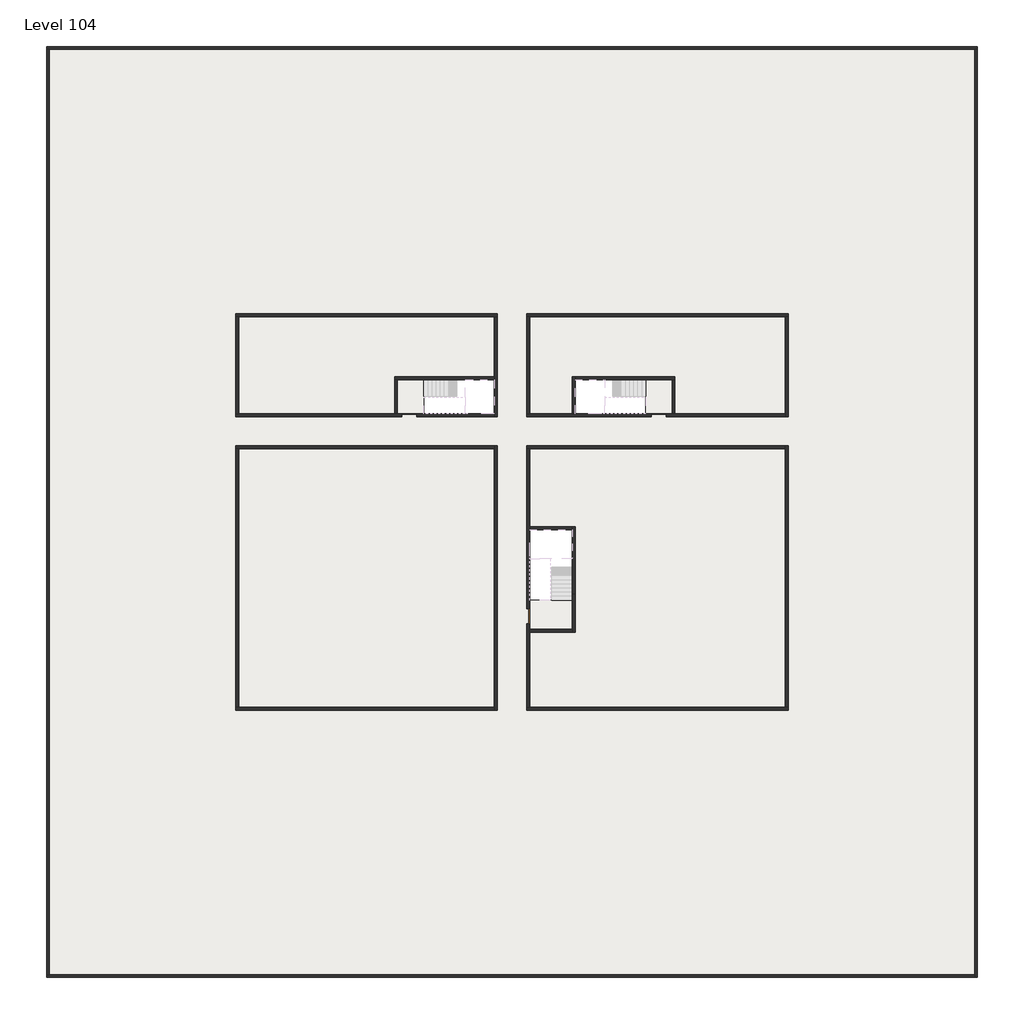
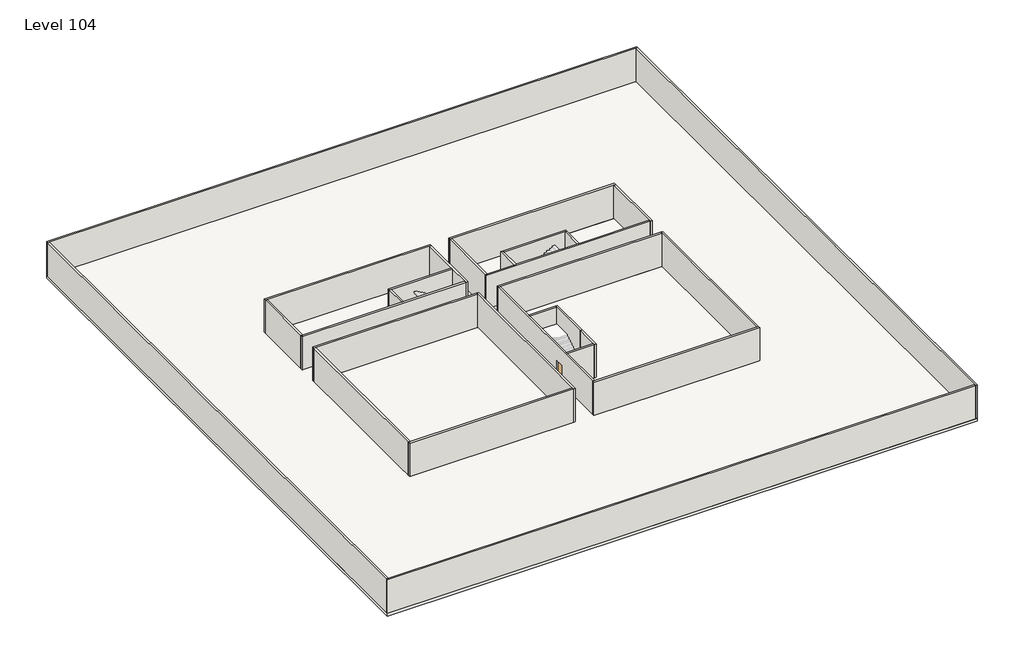
# One storey, part 1 of 2: 29 walls, 3 doors, 3 slabs.
"""IFC4 building model written with IfcOpenShell, lengths in millimetres."""

import ifcopenshell
import ifcopenshell.guid

model = None  # the IFC model being written
_history = None  # IfcOwnerHistory: only IFC2X3 demands one
_inside = {}  # id of a spatial element -> (the spatial element, [elements in it])
_under = {}  # id of a project, library or spatial element -> (it, [spatial elements below it])
_declared = {}  # id of a project -> (the project, [libraries it declares])
_typed = {}  # id of a type object -> (the type object, [elements of that type])
_made_of = {}  # id of a material, layer set ... -> (it, [elements and type objects made of it])


def new_model(schema):
    """Start an empty IFC model of exactly this schema.

    Asked for "IFC4X3", IfcOpenShell would pick the latest addendum, in which some entities
    have other attributes; the version numbers below select the first issue.
    IFC2X3 requires an IfcOwnerHistory on every rooted entity: one is made here for all.
    """
    global model, _history
    if schema == "IFC4X3":
        model = ifcopenshell.file(schema_version=(4, 3, 0, 0))
    else:
        model = ifcopenshell.file(schema=schema)
    _inside.clear()
    _under.clear()
    _declared.clear()
    _typed.clear()
    _made_of.clear()
    _history = None
    if model.schema == "IFC2X3":
        org = make("IfcOrganization", Name="unknown")
        user = make(
            "IfcPersonAndOrganization",
            ThePerson=make("IfcPerson", FamilyName="unknown"),
            TheOrganization=org,
        )
        app = make(
            "IfcApplication",
            ApplicationDeveloper=org,
            Version="unknown",
            ApplicationFullName="unknown",
            ApplicationIdentifier="unknown",
        )
        _history = make(
            "IfcOwnerHistory",
            OwningUser=user,
            OwningApplication=app,
            ChangeAction="ADDED",
            CreationDate=0,
        )
    return model


def make(cls, **values):
    """One entity of the class cls with the attributes given. An attribute that is None is left unset."""
    return model.create_entity(
        cls, **{name: value for name, value in values.items() if value is not None}
    )


def rooted(cls, **values):
    """An entity with a GlobalId (a new one), such as an element, a storey or a relation."""
    return make(cls, GlobalId=ifcopenshell.guid.new(), OwnerHistory=_history, **values)


def si_unit(unit_type, name, prefix=None):
    """IfcSIUnit, for example si_unit("LENGTHUNIT", "METRE", prefix="MILLI")."""
    return make("IfcSIUnit", UnitType=unit_type, Prefix=prefix, Name=name)


def assignment(units):
    """IfcUnitAssignment: the units of a project."""
    return None if units is None else make("IfcUnitAssignment", Units=units)


def point(xyz):
    """IfcCartesianPoint."""
    return None if xyz is None else make("IfcCartesianPoint", Coordinates=xyz)


def direction(xyz):
    """IfcDirection."""
    return None if xyz is None else make("IfcDirection", DirectionRatios=xyz)


def frame(location, z_axis=None, x_axis=None):
    """IfcAxis2Placement3D, a coordinate frame: its origin and axes. An axis left out is left unset."""
    return make(
        "IfcAxis2Placement3D",
        Location=point(location),
        Axis=direction(z_axis),
        RefDirection=direction(x_axis),
    )


def origin():
    """The frame at (0, 0, 0) with its axes left unset."""
    return frame((0.0, 0.0, 0.0))


def origin_with_axes():
    """The frame at (0, 0, 0) with the z axis (0, 0, 1) and the x axis (1, 0, 0) written out."""
    return frame((0.0, 0.0, 0.0), z_axis=(0.0, 0.0, 1.0), x_axis=(1.0, 0.0, 0.0))


def place(relative_to, where):
    """IfcLocalPlacement: puts the frame where relative to a parent placement (None: the world)."""
    return make(
        "IfcLocalPlacement", PlacementRelTo=relative_to, RelativePlacement=where
    )


def context(
    kind, dimensions, precision=None, world=None, true_north=None, identifier=None
):
    """IfcGeometricRepresentationContext, for example the 3D "Model" context."""
    return make(
        "IfcGeometricRepresentationContext",
        ContextIdentifier=identifier,
        ContextType=kind,
        CoordinateSpaceDimension=dimensions,
        Precision=precision,
        WorldCoordinateSystem=world,
        TrueNorth=true_north,
    )


def project(units=None, contexts=None):
    """IfcProject with its units and contexts."""
    return rooted(
        "IfcProject",
        Name="project",
        RepresentationContexts=contexts,
        UnitsInContext=assignment(units),
    )


def spatial(cls, under=None, at=None, **own):
    """A site, building, storey or space (cls), placed at a placement, below another one or the project."""
    s = rooted(cls, ObjectPlacement=at, **own)
    if under is not None:
        _under.setdefault(under.id(), (under, []))[1].append(s)
    return s


def polyline(points):
    """IfcPolyline through the points."""
    return make("IfcPolyline", Points=[point(p) for p in points])


def outline(outer, holes=None, kind="AREA"):
    """IfcArbitraryClosedProfileDef: a profile drawn as a closed curve; with holes, ...WithVoids."""
    if holes is None:
        return make("IfcArbitraryClosedProfileDef", ProfileType=kind, OuterCurve=outer)
    return make(
        "IfcArbitraryProfileDefWithVoids",
        ProfileType=kind,
        OuterCurve=outer,
        InnerCurves=holes,
    )


def extrude(swept, where, along, depth):
    """IfcExtrudedAreaSolid: the profile swept, set in the frame where, extruded along a direction by depth."""
    return make(
        "IfcExtrudedAreaSolid",
        SweptArea=swept,
        Position=where,
        ExtrudedDirection=direction(along),
        Depth=depth,
    )


def faces_of(points, faces, orient=None, outer=None):
    """IfcFace entities. A face is a list of loops; a loop is a list of indices into points, from 0.

    orient and outer hold one flag for each loop. By default every Orientation is true, the
    first loop of a face is its IfcFaceOuterBound and the others are IfcFaceBound.
    """
    made = []
    for i, loops in enumerate(faces):
        bounds = []
        for j, loop in enumerate(loops):
            is_outer = j == 0 if outer is None else outer[i][j]
            bounds.append(
                make(
                    "IfcFaceOuterBound" if is_outer else "IfcFaceBound",
                    Bound=make("IfcPolyLoop", Polygon=[points[k] for k in loop]),
                    Orientation=True if orient is None else orient[i][j],
                )
            )
        made.append(make("IfcFace", Bounds=bounds))
    return made


def faceted_brep(points, faces, orient=None, outer=None, voids=None):
    """IfcFacetedBrep: a solid bounded by flat faces; with voids (closed shells), ...WithVoids."""
    shared = [point(p) for p in points]
    hull = make("IfcClosedShell", CfsFaces=faces_of(shared, faces, orient, outer))
    if voids is None:
        return make("IfcFacetedBrep", Outer=hull)
    return make(
        "IfcFacetedBrepWithVoids",
        Outer=hull,
        Voids=[
            make(cls, CfsFaces=faces_of(shared, fs, o, b)) for cls, fs, o, b in voids
        ],
    )


def shape(context_of_items, identifier, shape_type, items):
    """IfcShapeRepresentation: the items that make up one representation, for example the "Body"."""
    return make(
        "IfcShapeRepresentation",
        ContextOfItems=context_of_items,
        RepresentationIdentifier=identifier,
        RepresentationType=shape_type,
        Items=items,
    )


def source(mapping_origin, context_of_items, identifier, shape_type, items):
    """IfcRepresentationMap: a shape defined once, which mapped items show again and again."""
    return make(
        "IfcRepresentationMap",
        MappingOrigin=mapping_origin,
        MappedRepresentation=shape(context_of_items, identifier, shape_type, items),
    )


def transform(
    local_origin,
    x_axis=None,
    y_axis=None,
    z_axis=None,
    scale=None,
    scale2=None,
    scale3=None,
    uniform=True,
):
    """IfcCartesianTransformationOperator3D, or its non-uniform kind. x_axis, y_axis, z_axis: its Axis1, 2, 3."""
    if uniform:
        return make(
            "IfcCartesianTransformationOperator3D",
            Axis1=direction(x_axis),
            Axis2=direction(y_axis),
            LocalOrigin=point(local_origin),
            Scale=scale,
            Axis3=direction(z_axis),
        )
    return make(
        "IfcCartesianTransformationOperator3DnonUniform",
        Axis1=direction(x_axis),
        Axis2=direction(y_axis),
        LocalOrigin=point(local_origin),
        Scale=scale,
        Axis3=direction(z_axis),
        Scale2=scale2,
        Scale3=scale3,
    )


def mapped(mapping_source, mapping_target):
    """IfcMappedItem: shows the shape of a source again, moved by a transform."""
    return make(
        "IfcMappedItem", MappingSource=mapping_source, MappingTarget=mapping_target
    )


def made_of(thing, what):
    """Note that an element or type object is made of a material, layer set ...; save() writes the relation."""
    if what is not None:
        _made_of.setdefault(what.id(), (what, []))[1].append(thing)
    return thing


def element(
    cls,
    number,
    at=None,
    inside=None,
    cuts=None,
    type_object=None,
    material=None,
    context=None,
    identifier="Body",
    shape_type=None,
    held_by="IfcProductDefinitionShape",
    body=None,
    shapes=None,
    **own,
):
    """One element of the class cls, such as IfcWall. Its Tag is "e" and its number.

    at: its placement. inside: the storey or other place that contains it. cuts: it is an
    opening in that element (IfcRelVoidsElement). A single representation is given by context,
    identifier, shape_type and body (its items); several are given by shapes. held_by: the class
    of the entity that holds the representations. save() writes the other relations.
    """
    e = rooted(cls, Tag="e%d" % number, ObjectPlacement=at, **own)
    if body is not None:
        shapes = [shape(context, identifier, shape_type, body)]
    if shapes is not None:
        e.Representation = make(held_by, Representations=shapes)
    if inside is not None:
        _inside.setdefault(inside.id(), (inside, []))[1].append(e)
    if cuts is not None:
        rooted(
            "IfcRelVoidsElement", RelatingBuildingElement=cuts, RelatedOpeningElement=e
        )
    if type_object is not None:
        _typed.setdefault(type_object.id(), (type_object, []))[1].append(e)
    return made_of(e, material)


def aggregate(whole, parts):
    """IfcRelAggregates: a whole, such as a stair, and the parts it consists of."""
    return rooted("IfcRelAggregates", RelatingObject=whole, RelatedObjects=parts)


def save(model, path):
    """Write the relations noted so far, then the file.

    IfcRelAggregates (storeys below a building ...), IfcRelContainedInSpatialStructure (elements
    in a storey), IfcRelDefinesByType, IfcRelAssociatesMaterial and IfcRelDeclares: one each for
    every whole, place, type object, material and project.
    """
    for whole, parts in _under.values():
        aggregate(whole, parts)
    for where, things in _inside.values():
        rooted(
            "IfcRelContainedInSpatialStructure",
            RelatedElements=things,
            RelatingStructure=where,
        )
    for kind, things in _typed.values():
        rooted("IfcRelDefinesByType", RelatedObjects=things, RelatingType=kind)
    for what, things in _made_of.values():
        rooted("IfcRelAssociatesMaterial", RelatedObjects=things, RelatingMaterial=what)
    for by, libraries in _declared.values():
        rooted("IfcRelDeclares", RelatingContext=by, RelatedDefinitions=libraries)
    model.write(path)


def door_fb3c37fd(model_context):
    return source(origin(), model_context, "Body", "SweptSolid", [
        extrude(outline(polyline([(500.0, 49.0), (-500.0, 49.0), (-500.0, 100.0), (500.0, 100.0), (500.0, 49.0)])), origin_with_axes(), (0.0, 0.0, 1.0), 2100.0),
    ])


def door_0317a72c(model_context):
    return source(origin(), model_context, "Body", "SweptSolid", [
        extrude(outline(polyline([(500.0, -49.0), (500.0, -100.0), (-500.0, -100.0), (-500.0, -49.0), (500.0, -49.0)])), origin_with_axes(), (0.0, 0.0, 1.0), 2100.0),
    ])


model = new_model("IFC4")

# Units and contexts
model_context = context("Model", 3, world=origin())
ifc_project = project(units=[si_unit("LENGTHUNIT", "METRE", prefix="MILLI")], contexts=[model_context])

# Site, building, storey
site = spatial("IfcSite", under=ifc_project)
building = spatial("IfcBuilding", under=site)
storey = spatial("IfcBuildingStorey", under=building, Name="Level 104", Elevation=391400.0)

# Doors
placement = place(None, origin())
door_shape = door_fb3c37fd(model_context)
element("IfcDoor", 1, at=placement, inside=storey, context=model_context, shape_type="MappedRepresentation", body=[
    mapped(door_shape, transform((34190.1058784, -30618.09644, 391400.0), x_axis=(1.0, 0.0, 0.0), y_axis=(0.0, 1.0, 0.0), z_axis=(0.0, 0.0, 1.0))),
])
element("IfcDoor", 2, at=placement, inside=storey, context=model_context, shape_type="MappedRepresentation", body=[
    mapped(door_shape, transform((25290.1058784, -44318.09644, 391400.0), x_axis=(0.0, -1.0, 0.0), y_axis=(1.0, 0.0, 0.0), z_axis=(0.0, 0.0, 1.0))),
])
door_2_shape = door_0317a72c(model_context)
element("IfcDoor", 3, at=placement, inside=storey, context=model_context, shape_type="MappedRepresentation", body=[
    mapped(door_2_shape, transform((17190.1058784, -30618.09644, 391400.0), x_axis=(-1.0, 0.0, 0.0), y_axis=(0.0, -1.0, 0.0), z_axis=(0.0, 0.0, 1.0))),
])

# Slabs
element("IfcSlab", 4, at=placement, inside=storey, context=model_context, shape_type="SweptSolid", body=[
    extrude(outline(polyline([(55890.1058784, -5518.09644), (55890.1058784, -68918.09644), (-7509.8941216, -68918.09644), (-7509.8941216, -5518.09644), (55890.1058784, -5518.09644)]), holes=[polyline([(22990.1058784, -23918.09644), (5590.1058784, -23918.09644), (5590.1058784, -30518.09644), (22990.1058784, -30518.09644), (22990.1058784, -23918.09644)]), polyline([(42990.1058784, -23918.09644), (25390.1058784, -23918.09644), (25390.1058784, -30518.09644), (42990.1058784, -30518.09644), (42990.1058784, -23918.09644)]), polyline([(25390.1058784, -50518.09644), (42790.1058784, -50518.09644), (42790.1058784, -32918.09644), (25390.1058784, -32918.09644), (25390.1058784, -50518.09644)]), polyline([(22990.1058784, -32918.09644), (5590.1058784, -32918.09644), (5590.1058784, -50518.09644), (22990.1058784, -50518.09644), (22990.1058784, -32918.09644)])]), frame((0.0, 0.0, 391100.0), z_axis=(0.0, 0.0, 1.0), x_axis=(1.0, 0.0, 0.0)), (0.0, 0.0, 1.0), 300.0),
])
element("IfcSlab", 5, at=placement, inside=storey, context=model_context, shape_type="SweptSolid", body=[
    extrude(outline(polyline([(22990.1058784, -23918.09644), (22990.1058784, -28018.09644), (16190.1058784, -28018.09644), (16190.1058784, -30518.09644), (5590.1058784, -30518.09644), (5590.1058784, -23918.09644), (22990.1058784, -23918.09644)])), frame((0.0, 0.0, 391100.0), z_axis=(0.0, 0.0, 1.0), x_axis=(1.0, 0.0, 0.0)), (0.0, 0.0, 1.0), 300.0),
    extrude(outline(polyline([(42790.1058784, -23918.09644), (42790.1058784, -30518.09644), (35290.1058784, -30518.09644), (35290.1058784, -28018.09644), (28490.1058784, -28018.09644), (28490.1058784, -30518.09644), (25390.1058784, -30518.09644), (25390.1058784, -23918.09644), (42790.1058784, -23918.09644)])), frame((0.0, 0.0, 391100.0), z_axis=(0.0, 0.0, 1.0), x_axis=(1.0, 0.0, 0.0)), (0.0, 0.0, 1.0), 300.0),
    extrude(outline(polyline([(22990.1058784, -32918.09644), (22990.1058784, -50518.09644), (5590.1058784, -50518.09644), (5590.1058784, -32918.09644), (22990.1058784, -32918.09644)])), frame((0.0, 0.0, 391100.0), z_axis=(0.0, 0.0, 1.0), x_axis=(1.0, 0.0, 0.0)), (0.0, 0.0, 1.0), 300.0),
    extrude(outline(polyline([(25390.1058784, -38218.09644), (25390.1058784, -32918.09644), (42790.1058784, -32918.09644), (42790.1058784, -50518.09644), (25390.1058784, -50518.09644), (25390.1058784, -45418.09644), (28490.1058784, -45418.09644), (28490.1058784, -38218.09644), (25390.1058784, -38218.09644)])), frame((0.0, 0.0, 391100.0), z_axis=(0.0, 0.0, 1.0), x_axis=(1.0, 0.0, 0.0)), (0.0, 0.0, 1.0), 300.0),
])
element("IfcSlab", 6, at=placement, inside=storey, context=model_context, shape_type="SweptSolid", body=[
    extrude(outline(polyline([(35090.1058784, -28218.09644), (35090.1058784, -30518.09644), (33290.1058784, -30518.09644), (33290.1058784, -28218.09644), (35090.1058784, -28218.09644)])), frame((0.0, 0.0, 391100.0), z_axis=(0.0, 0.0, 1.0), x_axis=(1.0, 0.0, 0.0)), (0.0, 0.0, 1.0), 300.0),
    extrude(outline(polyline([(18190.1058784, -28218.09644), (18190.1058784, -30518.09644), (16390.1058784, -30518.09644), (16390.1058784, -28218.09644), (18190.1058784, -28218.09644)])), frame((0.0, 0.0, 391100.0), z_axis=(0.0, 0.0, 1.0), x_axis=(1.0, 0.0, 0.0)), (0.0, 0.0, 1.0), 300.0),
    extrude(outline(polyline([(28290.1058784, -43218.09644), (28290.1058784, -45218.09644), (25390.1058784, -45218.09644), (25390.1058784, -43218.09644), (28290.1058784, -43218.09644)])), frame((0.0, 0.0, 391100.0), z_axis=(0.0, 0.0, 1.0), x_axis=(1.0, 0.0, 0.0)), (0.0, 0.0, 1.0), 300.0),
])

# Walls
element("IfcWall", 7, at=placement, inside=storey, context=model_context, shape_type="Brep", body=[
    faceted_brep([(-7509.8941216, -5718.09644, 391400.0), (-7309.8941216, -5718.09644, 391400.0), (55690.1058784, -5718.09644, 391400.0), (55890.1058784, -5718.09644, 391400.0), (55890.1058784, -5718.09644, 395200.0), (55690.1058784, -5718.09644, 395200.0), (-7309.8941216, -5718.09644, 395200.0), (-7509.8941216, -5718.09644, 395200.0), (-7509.8941216, -5518.09644, 391400.0), (-7509.8941216, -5518.09644, 395200.0), (55890.1058784, -5518.09644, 395200.0), (55890.1058784, -5518.09644, 391400.0)], [[[0, 1, 2, 3, 4, 5, 6, 7]], [[8, 9, 10, 11]], [[3, 2, 1, 0, 8, 11]], [[7, 6, 5, 4, 10, 9]], [[0, 7, 9, 8]], [[4, 3, 11, 10]]]),
])
element("IfcWall", 8, at=placement, inside=storey, context=model_context, shape_type="Brep", body=[
    faceted_brep([(55690.1058784, -5718.09644, 391400.0), (55690.1058784, -68718.09644, 391400.0), (55690.1058784, -68918.09644, 391400.0), (55690.1058784, -68918.09644, 395200.0), (55690.1058784, -68718.09644, 395200.0), (55690.1058784, -5718.09644, 395200.0), (55890.1058784, -5718.09644, 391400.0), (55890.1058784, -5718.09644, 395200.0), (55890.1058784, -68918.09644, 395200.0), (55890.1058784, -68918.09644, 391400.0)], [[[0, 1, 2, 3, 4, 5]], [[6, 7, 8, 9]], [[2, 1, 0, 6, 9]], [[5, 4, 3, 8, 7]], [[3, 2, 9, 8]], [[0, 5, 7, 6]]]),
])
element("IfcWall", 9, at=placement, inside=storey, context=model_context, shape_type="Brep", body=[
    faceted_brep([(55690.1058784, -68718.09644, 391400.0), (-7309.8941216, -68718.09644, 391400.0), (-7509.8941216, -68718.09644, 391400.0), (-7509.8941216, -68718.09644, 395200.0), (-7309.8941216, -68718.09644, 395200.0), (55690.1058784, -68718.09644, 395200.0), (55690.1058784, -68918.09644, 391400.0), (55690.1058784, -68918.09644, 395200.0), (-7509.8941216, -68918.09644, 395200.0), (-7509.8941216, -68918.09644, 391400.0)], [[[0, 1, 2, 3, 4, 5]], [[6, 7, 8, 9]], [[2, 1, 0, 6, 9]], [[5, 4, 3, 8, 7]], [[3, 2, 9, 8]], [[0, 5, 7, 6]]]),
])
element("IfcWall", 10, at=placement, inside=storey, context=model_context, shape_type="SweptSolid", body=[
    extrude(outline(polyline([(-7309.8941216, -5718.09644), (-7309.8941216, -68718.09644), (-7509.8941216, -68718.09644), (-7509.8941216, -5718.09644), (-7309.8941216, -5718.09644)])), frame((0.0, 0.0, 391400.0), z_axis=(0.0, 0.0, 1.0), x_axis=(1.0, 0.0, 0.0)), (0.0, 0.0, 1.0), 3800.0),
])
element("IfcWall", 11, at=placement, inside=storey, context=model_context, shape_type="Brep", body=[
    faceted_brep([(5390.1058784, -23918.09644, 391400.0), (5590.1058784, -23918.09644, 391400.0), (22990.1058784, -23918.09644, 391400.0), (23190.1058784, -23918.09644, 391400.0), (23190.1058784, -23918.09644, 395200.0), (22990.1058784, -23918.09644, 395200.0), (5590.1058784, -23918.09644, 395200.0), (5390.1058784, -23918.09644, 395200.0), (5390.1058784, -23718.09644, 391400.0), (5390.1058784, -23718.09644, 395200.0), (23190.1058784, -23718.09644, 395200.0), (23190.1058784, -23718.09644, 391400.0)], [[[0, 1, 2, 3, 4, 5, 6, 7]], [[8, 9, 10, 11]], [[3, 2, 1, 0, 8, 11]], [[7, 6, 5, 4, 10, 9]], [[4, 3, 11, 10]], [[0, 7, 9, 8]]]),
])
element("IfcWall", 12, at=placement, inside=storey, context=model_context, shape_type="Brep", body=[
    faceted_brep([(22990.1058784, -23918.09644, 391400.0), (22990.1058784, -28018.09644, 391400.0), (22990.1058784, -28218.09644, 391400.0), (22990.1058784, -30518.09644, 391400.0), (22990.1058784, -30718.09644, 391400.0), (22990.1058784, -30718.09644, 395200.0), (22990.1058784, -30518.09644, 395200.0), (22990.1058784, -28218.09644, 395200.0), (22990.1058784, -28018.09644, 395200.0), (22990.1058784, -23918.09644, 395200.0), (23190.1058784, -23918.09644, 391400.0), (23190.1058784, -23918.09644, 395200.0), (23190.1058784, -30718.09644, 395200.0), (23190.1058784, -30718.09644, 391400.0)], [[[0, 1, 2, 3, 4, 5, 6, 7, 8, 9]], [[10, 11, 12, 13]], [[4, 3, 2, 1, 0, 10, 13]], [[9, 8, 7, 6, 5, 12, 11]], [[0, 9, 11, 10]], [[5, 4, 13, 12]]]),
])
element("IfcWall", 13, at=placement, inside=storey, context=model_context, shape_type="Brep", body=[
    faceted_brep([(25190.1058784, -44818.09644, 393500.0), (25190.1058784, -44818.09644, 391400.0), (25190.1058784, -50518.09644, 391400.0), (25190.1058784, -50518.09644, 395200.0), (25190.1058784, -32918.09644, 395200.0), (25190.1058784, -32918.09644, 391400.0), (25190.1058784, -43818.09644, 391400.0), (25190.1058784, -43818.09644, 393500.0), (25390.1058784, -50518.09644, 391400.0), (25390.1058784, -45418.09644, 391400.0), (25390.1058784, -45218.09644, 391400.0), (25390.1058784, -44818.09644, 391400.0), (25390.1058784, -44818.09644, 393500.0), (25390.1058784, -43818.09644, 393500.0), (25390.1058784, -43818.09644, 391400.0), (25390.1058784, -38418.09644, 391400.0), (25390.1058784, -38218.09644, 391400.0), (25390.1058784, -32918.09644, 391400.0), (25390.1058784, -32918.09644, 395200.0), (25390.1058784, -38218.09644, 395200.0), (25390.1058784, -38418.09644, 395200.0), (25390.1058784, -45218.09644, 395200.0), (25390.1058784, -45418.09644, 395200.0), (25390.1058784, -50518.09644, 395200.0)], [[[0, 1, 2, 3, 4, 5, 6, 7]], [[8, 9, 10, 11, 12, 13, 14, 15, 16, 17, 18, 19, 20, 21, 22, 23]], [[6, 5, 17, 16, 15, 14]], [[2, 1, 11, 10, 9, 8]], [[4, 3, 23, 22, 21, 20, 19, 18]], [[12, 11, 1, 0]], [[13, 12, 0, 7]], [[14, 13, 7, 6]], [[5, 4, 18, 17]], [[3, 2, 8, 23]]]),
])
element("IfcWall", 14, at=placement, inside=storey, context=model_context, shape_type="Brep", body=[
    faceted_brep([(22990.1058784, -32718.09644, 391400.0), (22990.1058784, -32918.09644, 391400.0), (22990.1058784, -50518.09644, 391400.0), (22990.1058784, -50718.09644, 391400.0), (22990.1058784, -50718.09644, 395200.0), (22990.1058784, -50518.09644, 395200.0), (22990.1058784, -32918.09644, 395200.0), (22990.1058784, -32718.09644, 395200.0), (23190.1058784, -32718.09644, 391400.0), (23190.1058784, -32718.09644, 395200.0), (23190.1058784, -50718.09644, 395200.0), (23190.1058784, -50718.09644, 391400.0)], [[[0, 1, 2, 3, 4, 5, 6, 7]], [[8, 9, 10, 11]], [[3, 2, 1, 0, 8, 11]], [[7, 6, 5, 4, 10, 9]], [[4, 3, 11, 10]], [[0, 7, 9, 8]]]),
])
element("IfcWall", 15, at=placement, inside=storey, context=model_context, shape_type="Brep", body=[
    faceted_brep([(22990.1058784, -50518.09644, 391400.0), (5590.1058784, -50518.09644, 391400.0), (5390.1058784, -50518.09644, 391400.0), (5390.1058784, -50518.09644, 395200.0), (5590.1058784, -50518.09644, 395200.0), (22990.1058784, -50518.09644, 395200.0), (22990.1058784, -50718.09644, 391400.0), (22990.1058784, -50718.09644, 395200.0), (5390.1058784, -50718.09644, 395200.0), (5390.1058784, -50718.09644, 391400.0)], [[[0, 1, 2, 3, 4, 5]], [[6, 7, 8, 9]], [[2, 1, 0, 6, 9]], [[5, 4, 3, 8, 7]], [[0, 5, 7, 6]], [[3, 2, 9, 8]]]),
])
element("IfcWall", 16, at=placement, inside=storey, context=model_context, shape_type="Brep", body=[
    faceted_brep([(28290.1058784, -42818.09644, 391400.0), (28290.1058784, -45218.09644, 391400.0), (28290.1058784, -45418.09644, 391400.0), (28290.1058784, -45418.09644, 395200.0), (28290.1058784, -45218.09644, 395200.0), (28290.1058784, -42818.09644, 395200.0), (28490.1058784, -42818.09644, 391400.0), (28490.1058784, -42818.09644, 395200.0), (28490.1058784, -45418.09644, 395200.0), (28490.1058784, -45418.09644, 391400.0)], [[[0, 1, 2, 3, 4, 5]], [[6, 7, 8, 9]], [[2, 1, 0, 6, 9]], [[5, 4, 3, 8, 7]], [[0, 5, 7, 6]], [[3, 2, 9, 8]]]),
])
element("IfcWall", 17, at=placement, inside=storey, context=model_context, shape_type="SweptSolid", body=[
    extrude(outline(polyline([(5390.1058784, -30518.09644), (5390.1058784, -23918.09644), (5590.1058784, -23918.09644), (5590.1058784, -30518.09644), (5390.1058784, -30518.09644)])), frame((0.0, 0.0, 391400.0), z_axis=(0.0, 0.0, 1.0), x_axis=(1.0, 0.0, 0.0)), (0.0, 0.0, 1.0), 3800.0),
])
element("IfcWall", 18, at=placement, inside=storey, context=model_context, shape_type="Brep", body=[
    faceted_brep([(5390.1058784, -30718.09644, 391400.0), (16690.1058784, -30718.09644, 391400.0), (16690.1058784, -30718.09644, 393500.0), (17690.1058784, -30718.09644, 393500.0), (17690.1058784, -30718.09644, 391400.0), (22990.1058784, -30718.09644, 391400.0), (22990.1058784, -30718.09644, 395200.0), (5390.1058784, -30718.09644, 395200.0), (16690.1058784, -30518.09644, 393500.0), (16690.1058784, -30518.09644, 391400.0), (16390.1058784, -30518.09644, 391400.0), (16190.1058784, -30518.09644, 391400.0), (5590.1058784, -30518.09644, 391400.0), (5390.1058784, -30518.09644, 391400.0), (5390.1058784, -30518.09644, 395200.0), (5590.1058784, -30518.09644, 395200.0), (16190.1058784, -30518.09644, 395200.0), (16390.1058784, -30518.09644, 395200.0), (22990.1058784, -30518.09644, 395200.0), (22990.1058784, -30518.09644, 391400.0), (17690.1058784, -30518.09644, 391400.0), (17690.1058784, -30518.09644, 393500.0)], [[[0, 1, 2, 3, 4, 5, 6, 7]], [[8, 9, 10, 11, 12, 13, 14, 15, 16, 17, 18, 19, 20, 21]], [[20, 19, 5, 4]], [[13, 12, 11, 10, 9, 1, 0]], [[7, 6, 18, 17, 16, 15, 14]], [[2, 1, 9, 8]], [[3, 2, 8, 21]], [[4, 3, 21, 20]], [[0, 7, 14, 13]], [[6, 5, 19, 18]]]),
])
element("IfcWall", 19, at=placement, inside=storey, context=model_context, shape_type="Brep", body=[
    faceted_brep([(28490.1058784, -42818.09644, 391400.0), (28490.1058784, -38218.09644, 391400.0), (28490.1058784, -38218.09644, 395200.0), (28490.1058784, -42818.09644, 395200.0), (28290.1058784, -42818.09644, 391400.0), (28290.1058784, -42818.09644, 395200.0), (28290.1058784, -38418.09644, 395200.0), (28290.1058784, -38218.09644, 395200.0), (28290.1058784, -38218.09644, 391400.0), (28290.1058784, -38418.09644, 391400.0)], [[[0, 1, 2, 3]], [[4, 5, 6, 7, 8, 9]], [[1, 0, 4, 9, 8]], [[3, 2, 7, 6, 5]], [[0, 3, 5, 4]], [[2, 1, 8, 7]]]),
])
element("IfcWall", 20, at=placement, inside=storey, context=model_context, shape_type="SweptSolid", body=[
    extrude(outline(polyline([(25390.1058784, -38218.09644), (28290.1058784, -38218.09644), (28290.1058784, -38418.09644), (25390.1058784, -38418.09644), (25390.1058784, -38218.09644)])), frame((0.0, 0.0, 391400.0), z_axis=(0.0, 0.0, 1.0), x_axis=(1.0, 0.0, 0.0)), (0.0, 0.0, 1.0), 3800.0),
])
element("IfcWall", 21, at=placement, inside=storey, context=model_context, shape_type="SweptSolid", body=[
    extrude(outline(polyline([(28290.1058784, -45418.09644), (25390.1058784, -45418.09644), (25390.1058784, -45218.09644), (28290.1058784, -45218.09644), (28290.1058784, -45418.09644)])), frame((0.0, 0.0, 391400.0), z_axis=(0.0, 0.0, 1.0), x_axis=(1.0, 0.0, 0.0)), (0.0, 0.0, 1.0), 3800.0),
])
element("IfcWall", 22, at=placement, inside=storey, context=model_context, shape_type="Brep", body=[
    faceted_brep([(5390.1058784, -32918.09644, 391400.0), (5590.1058784, -32918.09644, 391400.0), (22990.1058784, -32918.09644, 391400.0), (22990.1058784, -32918.09644, 395200.0), (5590.1058784, -32918.09644, 395200.0), (5390.1058784, -32918.09644, 395200.0), (5390.1058784, -32718.09644, 391400.0), (5390.1058784, -32718.09644, 395200.0), (22990.1058784, -32718.09644, 395200.0), (22990.1058784, -32718.09644, 391400.0)], [[[0, 1, 2, 3, 4, 5]], [[6, 7, 8, 9]], [[2, 1, 0, 6, 9]], [[5, 4, 3, 8, 7]], [[3, 2, 9, 8]], [[0, 5, 7, 6]]]),
])
element("IfcWall", 23, at=placement, inside=storey, context=model_context, shape_type="SweptSolid", body=[
    extrude(outline(polyline([(5390.1058784, -50518.09644), (5390.1058784, -32918.09644), (5590.1058784, -32918.09644), (5590.1058784, -50518.09644), (5390.1058784, -50518.09644)])), frame((0.0, 0.0, 391400.0), z_axis=(0.0, 0.0, 1.0), x_axis=(1.0, 0.0, 0.0)), (0.0, 0.0, 1.0), 3800.0),
])
element("IfcWall", 24, at=placement, inside=storey, context=model_context, shape_type="Brep", body=[
    faceted_brep([(25190.1058784, -50718.09644, 391400.0), (42990.1058784, -50718.09644, 391400.0), (42990.1058784, -50718.09644, 395200.0), (25190.1058784, -50718.09644, 395200.0), (25190.1058784, -50518.09644, 391400.0), (25190.1058784, -50518.09644, 395200.0), (25390.1058784, -50518.09644, 395200.0), (42790.1058784, -50518.09644, 395200.0), (42990.1058784, -50518.09644, 395200.0), (42990.1058784, -50518.09644, 391400.0), (42790.1058784, -50518.09644, 391400.0), (25390.1058784, -50518.09644, 391400.0)], [[[0, 1, 2, 3]], [[4, 5, 6, 7, 8, 9, 10, 11]], [[1, 0, 4, 11, 10, 9]], [[3, 2, 8, 7, 6, 5]], [[2, 1, 9, 8]], [[0, 3, 5, 4]]]),
])
element("IfcWall", 25, at=placement, inside=storey, context=model_context, shape_type="Brep", body=[
    faceted_brep([(42990.1058784, -50518.09644, 391400.0), (42990.1058784, -32718.09644, 391400.0), (42990.1058784, -32718.09644, 395200.0), (42990.1058784, -50518.09644, 395200.0), (42790.1058784, -50518.09644, 391400.0), (42790.1058784, -50518.09644, 395200.0), (42790.1058784, -32918.09644, 395200.0), (42790.1058784, -32718.09644, 395200.0), (42790.1058784, -32718.09644, 391400.0), (42790.1058784, -32918.09644, 391400.0)], [[[0, 1, 2, 3]], [[4, 5, 6, 7, 8, 9]], [[1, 0, 4, 9, 8]], [[3, 2, 7, 6, 5]], [[0, 3, 5, 4]], [[2, 1, 8, 7]]]),
])
element("IfcWall", 26, at=placement, inside=storey, context=model_context, shape_type="Brep", body=[
    faceted_brep([(42790.1058784, -32718.09644, 391400.0), (25190.1058784, -32718.09644, 391400.0), (25190.1058784, -32718.09644, 395200.0), (42790.1058784, -32718.09644, 395200.0), (42790.1058784, -32918.09644, 391400.0), (42790.1058784, -32918.09644, 395200.0), (25390.1058784, -32918.09644, 395200.0), (25190.1058784, -32918.09644, 395200.0), (25190.1058784, -32918.09644, 391400.0), (25390.1058784, -32918.09644, 391400.0)], [[[0, 1, 2, 3]], [[4, 5, 6, 7, 8, 9]], [[1, 0, 4, 9, 8]], [[3, 2, 7, 6, 5]], [[0, 3, 5, 4]], [[2, 1, 8, 7]]]),
])
element("IfcWall", 27, at=placement, inside=storey, context=model_context, shape_type="Brep", body=[
    faceted_brep([(25190.1058784, -23918.09644, 391400.0), (25390.1058784, -23918.09644, 391400.0), (42790.1058784, -23918.09644, 391400.0), (42990.1058784, -23918.09644, 391400.0), (42990.1058784, -23918.09644, 395200.0), (42790.1058784, -23918.09644, 395200.0), (25390.1058784, -23918.09644, 395200.0), (25190.1058784, -23918.09644, 395200.0), (25190.1058784, -23718.09644, 391400.0), (25190.1058784, -23718.09644, 395200.0), (42990.1058784, -23718.09644, 395200.0), (42990.1058784, -23718.09644, 391400.0)], [[[0, 1, 2, 3, 4, 5, 6, 7]], [[8, 9, 10, 11]], [[3, 2, 1, 0, 8, 11]], [[7, 6, 5, 4, 10, 9]], [[0, 7, 9, 8]], [[4, 3, 11, 10]]]),
])
element("IfcWall", 28, at=placement, inside=storey, context=model_context, shape_type="Brep", body=[
    faceted_brep([(42790.1058784, -23918.09644, 391400.0), (42790.1058784, -30518.09644, 391400.0), (42790.1058784, -30718.09644, 391400.0), (42790.1058784, -30718.09644, 395200.0), (42790.1058784, -30518.09644, 395200.0), (42790.1058784, -23918.09644, 395200.0), (42990.1058784, -23918.09644, 391400.0), (42990.1058784, -23918.09644, 395200.0), (42990.1058784, -30718.09644, 395200.0), (42990.1058784, -30718.09644, 391400.0)], [[[0, 1, 2, 3, 4, 5]], [[6, 7, 8, 9]], [[2, 1, 0, 6, 9]], [[5, 4, 3, 8, 7]], [[0, 5, 7, 6]], [[3, 2, 9, 8]]]),
])
element("IfcWall", 29, at=placement, inside=storey, context=model_context, shape_type="Brep", body=[
    faceted_brep([(42790.1058784, -30518.09644, 391400.0), (35290.1058784, -30518.09644, 391400.0), (35090.1058784, -30518.09644, 391400.0), (34690.1058784, -30518.09644, 391400.0), (34690.1058784, -30518.09644, 393500.0), (33690.1058784, -30518.09644, 393500.0), (33690.1058784, -30518.09644, 391400.0), (28490.1058784, -30518.09644, 391400.0), (28290.1058784, -30518.09644, 391400.0), (25390.1058784, -30518.09644, 391400.0), (25190.1058784, -30518.09644, 391400.0), (25190.1058784, -30518.09644, 395200.0), (25390.1058784, -30518.09644, 395200.0), (28290.1058784, -30518.09644, 395200.0), (28490.1058784, -30518.09644, 395200.0), (35090.1058784, -30518.09644, 395200.0), (35290.1058784, -30518.09644, 395200.0), (42790.1058784, -30518.09644, 395200.0), (34690.1058784, -30718.09644, 393500.0), (34690.1058784, -30718.09644, 391400.0), (42790.1058784, -30718.09644, 391400.0), (42790.1058784, -30718.09644, 395200.0), (25190.1058784, -30718.09644, 395200.0), (25190.1058784, -30718.09644, 391400.0), (33690.1058784, -30718.09644, 391400.0), (33690.1058784, -30718.09644, 393500.0)], [[[0, 1, 2, 3, 4, 5, 6, 7, 8, 9, 10, 11, 12, 13, 14, 15, 16, 17]], [[18, 19, 20, 21, 22, 23, 24, 25]], [[24, 23, 10, 9, 8, 7, 6]], [[20, 19, 3, 2, 1, 0]], [[17, 16, 15, 14, 13, 12, 11, 22, 21]], [[4, 3, 19, 18]], [[5, 4, 18, 25]], [[6, 5, 25, 24]], [[11, 10, 23, 22]], [[0, 17, 21, 20]]]),
])
element("IfcWall", 30, at=placement, inside=storey, context=model_context, shape_type="SweptSolid", body=[
    extrude(outline(polyline([(25390.1058784, -23918.09644), (25390.1058784, -30518.09644), (25190.1058784, -30518.09644), (25190.1058784, -23918.09644), (25390.1058784, -23918.09644)])), frame((0.0, 0.0, 391400.0), z_axis=(0.0, 0.0, 1.0), x_axis=(1.0, 0.0, 0.0)), (0.0, 0.0, 1.0), 3800.0),
])
element("IfcWall", 31, at=placement, inside=storey, context=model_context, shape_type="Brep", body=[
    faceted_brep([(28490.1058784, -30518.09644, 391400.0), (28490.1058784, -28218.09644, 391400.0), (28490.1058784, -28018.09644, 391400.0), (28490.1058784, -28018.09644, 395200.0), (28490.1058784, -28218.09644, 395200.0), (28490.1058784, -30518.09644, 395200.0), (28290.1058784, -30518.09644, 391400.0), (28290.1058784, -30518.09644, 395200.0), (28290.1058784, -28018.09644, 395200.0), (28290.1058784, -28018.09644, 391400.0)], [[[0, 1, 2, 3, 4, 5]], [[6, 7, 8, 9]], [[2, 1, 0, 6, 9]], [[5, 4, 3, 8, 7]], [[3, 2, 9, 8]], [[0, 5, 7, 6]]]),
])
element("IfcWall", 32, at=placement, inside=storey, context=model_context, shape_type="Brep", body=[
    faceted_brep([(28490.1058784, -28218.09644, 391400.0), (35090.1058784, -28218.09644, 391400.0), (35290.1058784, -28218.09644, 391400.0), (35290.1058784, -28218.09644, 395200.0), (35090.1058784, -28218.09644, 395200.0), (28490.1058784, -28218.09644, 395200.0), (28490.1058784, -28018.09644, 391400.0), (28490.1058784, -28018.09644, 395200.0), (35290.1058784, -28018.09644, 395200.0), (35290.1058784, -28018.09644, 391400.0)], [[[0, 1, 2, 3, 4, 5]], [[6, 7, 8, 9]], [[2, 1, 0, 6, 9]], [[5, 4, 3, 8, 7]], [[0, 5, 7, 6]], [[3, 2, 9, 8]]]),
])
element("IfcWall", 33, at=placement, inside=storey, context=model_context, shape_type="SweptSolid", body=[
    extrude(outline(polyline([(35090.1058784, -30518.09644), (35090.1058784, -28218.09644), (35290.1058784, -28218.09644), (35290.1058784, -30518.09644), (35090.1058784, -30518.09644)])), frame((0.0, 0.0, 391400.0), z_axis=(0.0, 0.0, 1.0), x_axis=(1.0, 0.0, 0.0)), (0.0, 0.0, 1.0), 3800.0),
])
element("IfcWall", 34, at=placement, inside=storey, context=model_context, shape_type="Brep", body=[
    faceted_brep([(22990.1058784, -28018.09644, 391400.0), (16190.1058784, -28018.09644, 391400.0), (16190.1058784, -28018.09644, 395200.0), (22990.1058784, -28018.09644, 395200.0), (22990.1058784, -28218.09644, 391400.0), (22990.1058784, -28218.09644, 395200.0), (16390.1058784, -28218.09644, 395200.0), (16190.1058784, -28218.09644, 395200.0), (16190.1058784, -28218.09644, 391400.0), (16390.1058784, -28218.09644, 391400.0)], [[[0, 1, 2, 3]], [[4, 5, 6, 7, 8, 9]], [[1, 0, 4, 9, 8]], [[3, 2, 7, 6, 5]], [[0, 3, 5, 4]], [[2, 1, 8, 7]]]),
])
element("IfcWall", 35, at=placement, inside=storey, context=model_context, shape_type="SweptSolid", body=[
    extrude(outline(polyline([(16190.1058784, -30518.09644), (16190.1058784, -28218.09644), (16390.1058784, -28218.09644), (16390.1058784, -30518.09644), (16190.1058784, -30518.09644)])), frame((0.0, 0.0, 391400.0), z_axis=(0.0, 0.0, 1.0), x_axis=(1.0, 0.0, 0.0)), (0.0, 0.0, 1.0), 3800.0),
])

save(model, "model.ifc")
